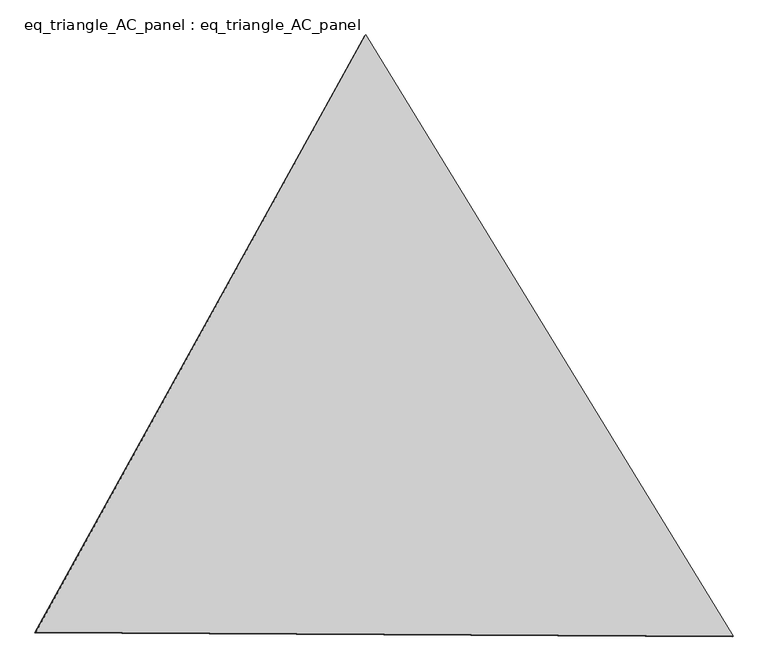
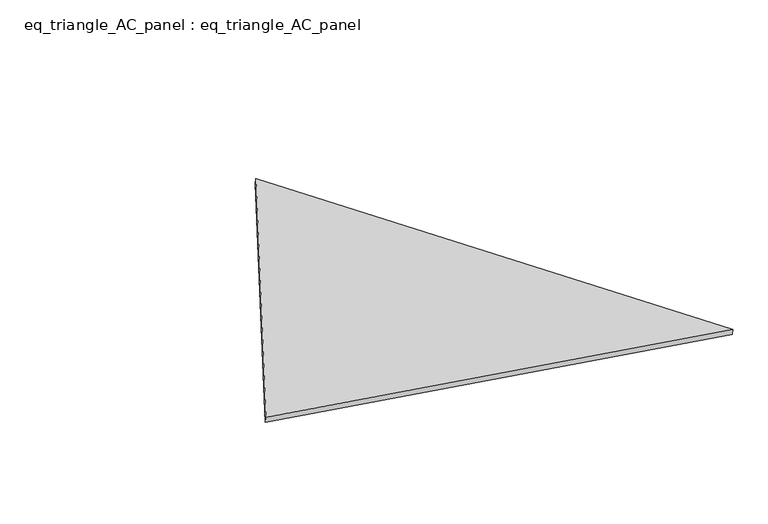
"""IFC4 building model written with IfcOpenShell, lengths in millimetres: proxy geometry, eq_triangle_AC_panel : eq_triangle_AC_panel."""

from ifc_helpers import new_model, si_unit, frame, origin, place, context, project, spatial, polyline, outline, extrude, source, transform, mapped, element, save


def eq_triangle_ac_panel_eq_triangle_ac_panel_04f95b4e(model_context):
    return source(origin(), model_context, "Body", "SweptSolid", [
        extrude(outline(polyline([(-2032.8306629, 1173.1700195), (2091.2842303, 1173.1700196), (-58.4535675, -2346.3400391), (-2032.8306629, 1173.1700195)])), frame((0.0038051, 527.9290861, 89.8240019), z_axis=(0.14526328518058224, 0.08386570281802175, 0.9858321976225896), x_axis=(0.5211103640698549, -0.8534790669542575, -0.00417980021933268)), (0.0, 0.0, 1.0), 43.8306294),
    ])


if __name__ == "__main__":
    model = new_model("IFC4")
    model_context = context("Model", 3, world=origin())
    ifc_project = project(units=[si_unit("LENGTHUNIT", "METRE", prefix="MILLI")], contexts=[model_context])
    site = spatial("IfcSite", under=ifc_project)
    building = spatial("IfcBuilding", under=site)
    placement = place(None, origin())
    eq_triangle_ac_panel_eq_triangle_ac_panel_shape = eq_triangle_ac_panel_eq_triangle_ac_panel_04f95b4e(model_context)
    element("IfcBuildingElementProxy", 1, Name="eq_triangle_AC_panel : eq_triangle_AC_panel", ObjectType="eq_triangle_AC_panel : eq_triangle_AC_panel", at=placement, inside=building, context=model_context, shape_type="MappedRepresentation", body=[
        mapped(eq_triangle_ac_panel_eq_triangle_ac_panel_shape, transform((0.0, 0.0, 0.0), x_axis=(1.0, 0.0, 0.0), y_axis=(0.0, 1.0, 0.0), z_axis=(0.0, 0.0, 1.0))),
    ])
    save(model, "model.ifc")
